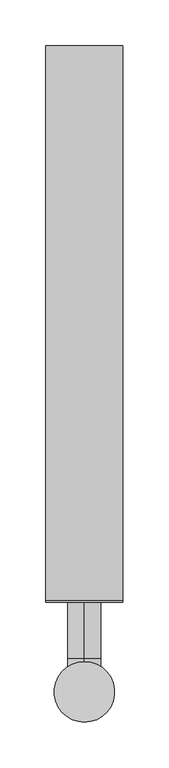
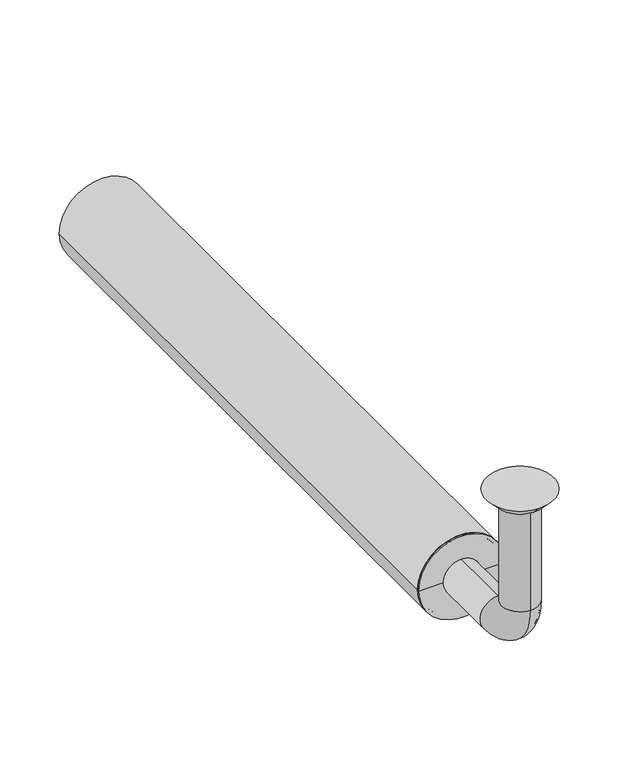
"""IFC4 building model written with IfcOpenShell, lengths in millimetres: beam geometry."""

from ifc_helpers import new_model, si_unit, point, frame, frame_2d, origin, place, context, project, spatial, polyline, circle_curve, ellipse_curve, trimmed, segment, composite_curve, outline, extrude, source, transform, mapped, element, save
from ifc_brep_helpers import plane_surface, cylinder_surface, revolved_surface, advanced_brep


def beam_4ee244c1(model_context):
    return source(origin(), model_context, "Body", "SolidModel", [
        extrude(outline(composite_curve([segment(trimmed(circle_curve(frame_2d((-150.0, 0.0)), 42.0), [point((-150.0, 42.0))], [point((-150.0, -42.0))], False, "CARTESIAN"), True, "CONTINUOUS"), segment(trimmed(circle_curve(frame_2d((-150.0, 0.0)), 42.0), [point((-150.0, -42.0))], [point((-150.0, 42.0))], False, "CARTESIAN"), True, "CONTINUOUS")], self_intersect=False), holes=[composite_curve([segment(trimmed(circle_curve(frame_2d((-150.0, 0.0)), 39.0), [point((-150.0, 39.0))], [point((-150.0, -39.0))], True, "CARTESIAN"), True, "CONTINUOUS"), segment(trimmed(circle_curve(frame_2d((-150.0, 0.0)), 39.0), [point((-150.0, -39.0))], [point((-150.0, 39.0))], True, "CARTESIAN"), True, "CONTINUOUS")], self_intersect=False)]), frame((0.0, 100.0, 0.0), z_axis=(0.0, 1.0, 0.0), x_axis=(0.0, 0.0, 1.0)), (0.0, 0.0, 1.0), 605.0),
        advanced_brep(
        [(0.0, -18.0, -10.0), (0.0, 18.0, -10.0), (0.0, -17.0, -10.0), (0.0, 17.0, -10.0), (0.0, -18.0, -114.0), (0.0, 18.0, -114.0), (0.0, -17.0, -114.0), (0.0, 17.0, -114.0), (0.0, 36.0, -132.0), (0.0, 36.0, -168.0), (0.0, 36.0, -133.0), (0.0, 36.0, -167.0), (0.0, 123.0, -168.0), (0.0, 123.0, -132.0), (0.0, 123.0, -167.0), (0.0, 123.0, -133.0)],
        [
            (0, 1, circle_curve(frame((0.0, 0.0, -10.0), z_axis=(0.0, 0.0, 1.0), x_axis=(0.0, 1.0, 0.0)), 18.0)),
            (1, 0, circle_curve(frame((0.0, 0.0, -10.0), z_axis=(0.0, 0.0, 1.0), x_axis=(0.0, 1.0, 0.0)), 18.0)),
            (2, 3, circle_curve(frame((0.0, 0.0, -10.0), z_axis=(0.0, 0.0, -1.0), x_axis=(0.0, 1.0, 0.0)), 17.0)),
            (3, 2, circle_curve(frame((0.0, 0.0, -10.0), z_axis=(0.0, 0.0, -1.0), x_axis=(0.0, 1.0, 0.0)), 17.0)),
            (0, 4),
            (4, 5, circle_curve(frame((0.0, 0.0, -114.0), z_axis=(0.0, 0.0, 1.0), x_axis=(0.0, 1.0, 0.0)), 18.0)),
            (5, 1),
            (5, 4, circle_curve(frame((0.0, 0.0, -114.0), z_axis=(0.0, 0.0, 1.0), x_axis=(0.0, 1.0, 0.0)), 18.0)),
            (2, 6),
            (6, 7, circle_curve(frame((0.0, 0.0, -114.0), z_axis=(0.0, 0.0, -1.0), x_axis=(0.0, 1.0, 0.0)), 17.0)),
            (7, 3),
            (7, 6, circle_curve(frame((0.0, 0.0, -114.0), z_axis=(0.0, 0.0, -1.0), x_axis=(0.0, 1.0, 0.0)), 17.0)),
            (8, 5, circle_curve(frame((0.0, 36.0, -114.0), z_axis=(-1.0, 0.0, 0.0), x_axis=(0.0, -1.0, 0.0)), 18.0)),
            (4, 9, circle_curve(frame((0.0, 36.0, -114.0), z_axis=(1.0, 0.0, 0.0), x_axis=(0.0, -1.0, 0.0)), 54.0)),
            (9, 8, circle_curve(frame((0.0, 36.0, -150.0), z_axis=(0.0, -1.0, 0.0), x_axis=(0.0, 0.0, 1.0)), 18.0)),
            (8, 9, circle_curve(frame((0.0, 36.0, -150.0), z_axis=(0.0, -1.0, 0.0), x_axis=(0.0, 0.0, 1.0)), 18.0)),
            (10, 7, circle_curve(frame((0.0, 36.0, -114.0), z_axis=(-1.0, 0.0, 0.0), x_axis=(0.0, -1.0, 0.0)), 19.0)),
            (6, 11, circle_curve(frame((0.0, 36.0, -114.0), z_axis=(1.0, 0.0, 0.0), x_axis=(0.0, -1.0, 0.0)), 53.0)),
            (11, 10, circle_curve(frame((0.0, 36.0, -150.0), z_axis=(0.0, 1.0, 0.0), x_axis=(0.0, 0.0, 1.0)), 17.0)),
            (10, 11, circle_curve(frame((0.0, 36.0, -150.0), z_axis=(0.0, 1.0, 0.0), x_axis=(0.0, 0.0, 1.0)), 17.0)),
            (12, 13, circle_curve(frame((0.0, 123.0, -150.0), z_axis=(0.0, 1.0, 0.0), x_axis=(0.0, 0.0, 1.0)), 18.0)),
            (13, 12, circle_curve(frame((0.0, 123.0, -150.0), z_axis=(0.0, 1.0, 0.0), x_axis=(0.0, 0.0, 1.0)), 18.0)),
            (14, 15, circle_curve(frame((0.0, 123.0, -150.0), z_axis=(0.0, -1.0, 0.0), x_axis=(0.0, 0.0, 1.0)), 17.0)),
            (15, 14, circle_curve(frame((0.0, 123.0, -150.0), z_axis=(0.0, -1.0, 0.0), x_axis=(0.0, 0.0, 1.0)), 17.0)),
            (9, 12),
            (13, 8),
            (11, 14),
            (15, 10),
        ],
        [
            plane_surface(frame((0.0, 0.0, -10.0), z_axis=(0.0, 0.0, 1.0), x_axis=(1.0, 0.0, 0.0))),
            cylinder_surface(frame((0.0, 0.0, -10.0), z_axis=(0.0, 0.0, 1.0), x_axis=(0.0, 1.0, 0.0)), 18.0),
            revolved_surface(polyline([(0.0, 17.0, -114.0), (0.0, 17.0, -10.0)]), (0.0, 0.0, -10.0), (0.0, 0.0, -1.0)),
            revolved_surface(trimmed(ellipse_curve(frame((0.0, 0.0, -114.0), z_axis=(0.0, 0.0, 1.0), x_axis=(0.0, 1.0, 0.0)), 18.0, 18.0), [point((0.0, -18.0, -114.0))], [point((0.0, 18.0, -114.0))], True, "CARTESIAN"), (0.0, 36.0, -114.0), (1.0, 0.0, 0.0)),
            revolved_surface(trimmed(ellipse_curve(frame((0.0, 0.0, -114.0), z_axis=(0.0, 0.0, 1.0), x_axis=(0.0, 1.0, 0.0)), 18.0, 18.0), [point((0.0, 18.0, -114.0))], [point((0.0, -18.0, -114.0))], True, "CARTESIAN"), (0.0, 36.0, -114.0), (1.0, 0.0, 0.0)),
            revolved_surface(trimmed(ellipse_curve(frame((0.0, 0.0, -114.0), z_axis=(0.0, 0.0, -1.0), x_axis=(0.0, 1.0, 0.0)), 17.0, 17.0), [point((0.0, -17.0, -114.0))], [point((0.0, 17.0, -114.0))], True, "CARTESIAN"), (0.0, 36.0, -114.0), (1.0, 0.0, 0.0)),
            revolved_surface(trimmed(ellipse_curve(frame((0.0, 0.0, -114.0), z_axis=(0.0, 0.0, -1.0), x_axis=(0.0, 1.0, 0.0)), 17.0, 17.0), [point((0.0, 17.0, -114.0))], [point((0.0, -17.0, -114.0))], True, "CARTESIAN"), (0.0, 36.0, -114.0), (1.0, 0.0, 0.0)),
            plane_surface(frame((0.0, 123.0, -150.0), z_axis=(0.0, 1.0, 0.0), x_axis=(1.0, 0.0, 0.0))),
            cylinder_surface(frame((0.0, 36.0, -150.0), z_axis=(0.0, -1.0, 0.0), x_axis=(0.0, 0.0, 1.0)), 18.0),
            revolved_surface(polyline([(0.0, 123.0, -133.0), (0.0, 36.0, -133.0)]), (0.0, 36.0, -150.0), (0.0, 1.0, 0.0)),
        ],
        [
            (0, [[1, 2], [3, 4]]),
            (1, [[-1, 5, 6, 7]]),
            (1, [[-2, -7, 8, -5]]),
            (2, [[-3, 9, 10, 11]]),
            (2, [[-4, -11, 12, -9]]),
            (3, [[13, -6, 14, 15]]),
            (4, [[-14, -8, -13, 16]]),
            (5, [[17, -10, 18, 19]]),
            (6, [[-18, -12, -17, 20]]),
            (7, [[21, 22], [23, 24]]),
            (8, [[-15, 25, -22, 26]]),
            (8, [[-16, -26, -21, -25]]),
            (9, [[-19, 27, -24, 28]]),
            (9, [[-20, -28, -23, -27]]),
        ],
    ),
        advanced_brep(
        [(0.0, 23.0, -10.0), (0.0, -23.0, -10.0), (0.0, 33.0, 0.0), (0.0, -33.0, 0.0)],
        [
            (0, 1, circle_curve(frame((0.0, 0.0, -10.0), z_axis=(0.0, 0.0, -1.0), x_axis=(0.0, 1.0, 0.0)), 23.0)),
            (1, 0, circle_curve(frame((0.0, 0.0, -10.0), z_axis=(0.0, 0.0, -1.0), x_axis=(0.0, -1.0, 0.0)), 23.0)),
            (2, 3, circle_curve(frame((0.0, 0.0, 0.0), z_axis=(0.0, 0.0, 1.0), x_axis=(0.0, -1.0, 0.0)), 33.0)),
            (3, 2, circle_curve(frame((0.0, 0.0, 0.0), z_axis=(0.0, 0.0, 1.0), x_axis=(0.0, 1.0, 0.0)), 33.0)),
            (3, 1),
            (0, 2),
        ],
        [
            plane_surface(frame((0.0, 0.0, -10.0), z_axis=(0.0, 0.0, -1.0), x_axis=(-1.0, 0.0, 0.0))),
            plane_surface(frame((0.0, 0.0, 0.0), z_axis=(0.0, 0.0, 1.0), x_axis=(-1.0, 0.0, 0.0))),
            revolved_surface(polyline([(0.0, 23.0, -10.0), (0.0, 33.0, 0.0)]), (0.0, 0.0, -33.0), (0.0, 0.0, 1.0)),
            revolved_surface(polyline([(0.0, -23.0, -10.0), (0.0, -33.0, 0.0)]), (0.0, 0.0, -33.0), (0.0, 0.0, 1.0)),
        ],
        [
            (0, [[1, 2]]),
            (1, [[3, 4]]),
            (2, [[-4, 5, -1, 6]]),
            (3, [[-3, -6, -2, -5]]),
        ],
    ),
        advanced_brep(
        [(39.0, 100.0, -150.0), (-39.0, 100.0, -150.0), (-39.0, 123.0, -150.0), (39.0, 123.0, -150.0), (-18.0, 123.0, -150.0), (18.0, 123.0, -150.0), (-18.0, 98.0, -150.0), (18.0, 98.0, -150.0), (-42.0, 98.0, -150.0), (42.0, 98.0, -150.0), (-42.0, 100.0, -150.0), (42.0, 100.0, -150.0)],
        [
            (0, 1, circle_curve(frame((0.0, 100.0, -150.0), z_axis=(0.0, 1.0, 0.0), x_axis=(-1.0, 0.0, 0.0)), 39.0)),
            (1, 2),
            (2, 3, circle_curve(frame((0.0, 123.0, -150.0), z_axis=(0.0, -1.0, 0.0), x_axis=(-1.0, 0.0, 0.0)), 39.0)),
            (3, 0),
            (1, 0, circle_curve(frame((0.0, 100.0, -150.0), z_axis=(0.0, 1.0, 0.0), x_axis=(-1.0, 0.0, 0.0)), 39.0)),
            (3, 2, circle_curve(frame((0.0, 123.0, -150.0), z_axis=(0.0, -1.0, 0.0), x_axis=(-1.0, 0.0, 0.0)), 39.0)),
            (2, 4),
            (4, 5, circle_curve(frame((0.0, 123.0, -150.0), z_axis=(0.0, -1.0, 0.0), x_axis=(-1.0, 0.0, 0.0)), 18.0)),
            (5, 3),
            (5, 4, circle_curve(frame((0.0, 123.0, -150.0), z_axis=(0.0, -1.0, 0.0), x_axis=(-1.0, 0.0, 0.0)), 18.0)),
            (4, 6),
            (6, 7, circle_curve(frame((0.0, 98.0, -150.0), z_axis=(0.0, -1.0, 0.0), x_axis=(-1.0, 0.0, 0.0)), 18.0)),
            (7, 5),
            (7, 6, circle_curve(frame((0.0, 98.0, -150.0), z_axis=(0.0, -1.0, 0.0), x_axis=(-1.0, 0.0, 0.0)), 18.0)),
            (6, 8),
            (8, 9, circle_curve(frame((0.0, 98.0, -150.0), z_axis=(0.0, -1.0, 0.0), x_axis=(-1.0, 0.0, 0.0)), 42.0)),
            (9, 7),
            (9, 8, circle_curve(frame((0.0, 98.0, -150.0), z_axis=(0.0, -1.0, 0.0), x_axis=(-1.0, 0.0, 0.0)), 42.0)),
            (8, 10),
            (10, 11, circle_curve(frame((0.0, 100.0, -150.0), z_axis=(0.0, -1.0, 0.0), x_axis=(-1.0, 0.0, 0.0)), 42.0)),
            (11, 9),
            (11, 10, circle_curve(frame((0.0, 100.0, -150.0), z_axis=(0.0, -1.0, 0.0), x_axis=(-1.0, 0.0, 0.0)), 42.0)),
            (10, 1),
            (0, 11),
        ],
        [
            cylinder_surface(frame((0.0, 98.0, -150.0), z_axis=(0.0, -1.0, 0.0), x_axis=(-1.0, 0.0, 0.0)), 39.0),
            plane_surface(frame((0.0, 123.0, -150.0), z_axis=(0.0, 1.0, 0.0), x_axis=(-1.0, 0.0, 0.0))),
            revolved_surface(polyline([(-18.0, 98.0, -150.0), (-18.0, 123.0, -150.0)]), (0.0, 98.0, -150.0), (0.0, -1.0, 0.0)),
            plane_surface(frame((0.0, 98.0, -150.0), z_axis=(0.0, -1.0, 0.0), x_axis=(-1.0, 0.0, 0.0))),
            cylinder_surface(frame((0.0, 98.0, -150.0), z_axis=(0.0, -1.0, 0.0), x_axis=(-1.0, 0.0, 0.0)), 42.0),
            plane_surface(frame((0.0, 100.0, -150.0), z_axis=(0.0, 1.0, 0.0), x_axis=(-1.0, 0.0, 0.0))),
        ],
        [
            (0, [[1, 2, 3, 4]]),
            (0, [[5, -4, 6, -2]]),
            (1, [[-3, 7, 8, 9]]),
            (1, [[-6, -9, 10, -7]]),
            (2, [[-8, 11, 12, 13]]),
            (2, [[-10, -13, 14, -11]]),
            (3, [[-12, 15, 16, 17]]),
            (3, [[-14, -17, 18, -15]]),
            (4, [[-16, 19, 20, 21]]),
            (4, [[-18, -21, 22, -19]]),
            (5, [[-20, 23, -1, 24]]),
            (5, [[-22, -24, -5, -23]]),
        ],
    ),
    ])


if __name__ == "__main__":
    model = new_model("IFC4")
    model_context = context("Model", 3, world=origin())
    ifc_project = project(units=[si_unit("LENGTHUNIT", "METRE", prefix="MILLI")], contexts=[model_context])
    site = spatial("IfcSite", under=ifc_project)
    building = spatial("IfcBuilding", under=site)
    placement = place(None, origin())
    beam_shape = beam_4ee244c1(model_context)
    element("IfcBeam", 1, at=placement, inside=building, context=model_context, shape_type="MappedRepresentation", body=[
        mapped(beam_shape, transform((0.0, 0.0, 0.0), x_axis=(1.0, 0.0, 0.0), y_axis=(0.0, 1.0, 0.0), z_axis=(0.0, 0.0, 1.0))),
    ])
    save(model, "model.ifc")
